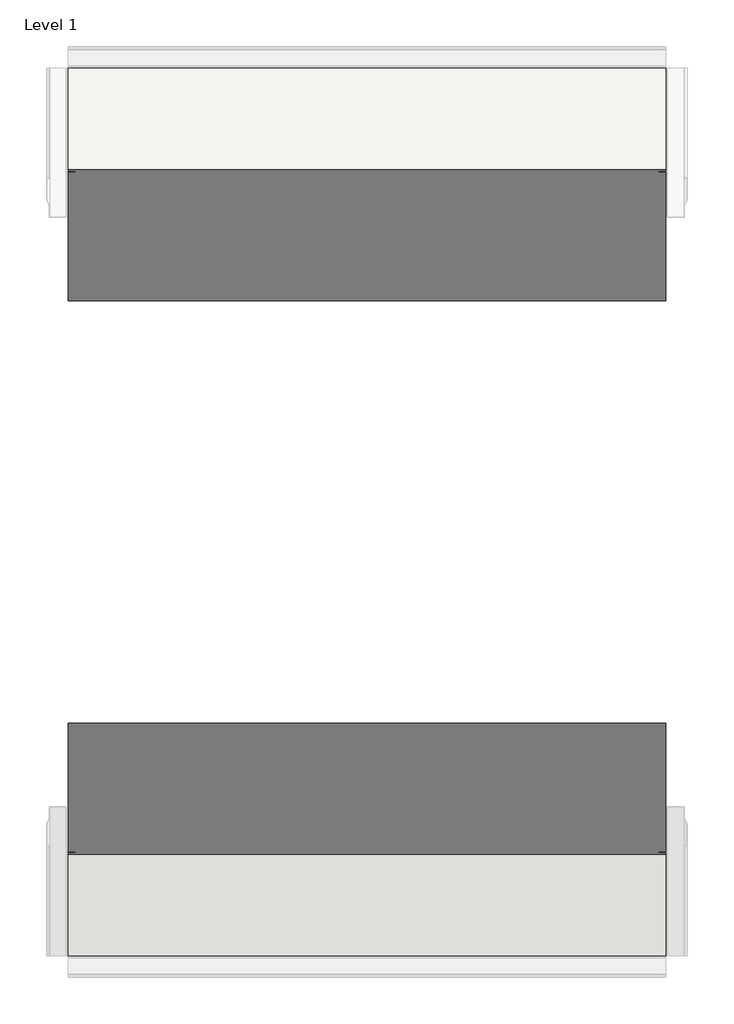
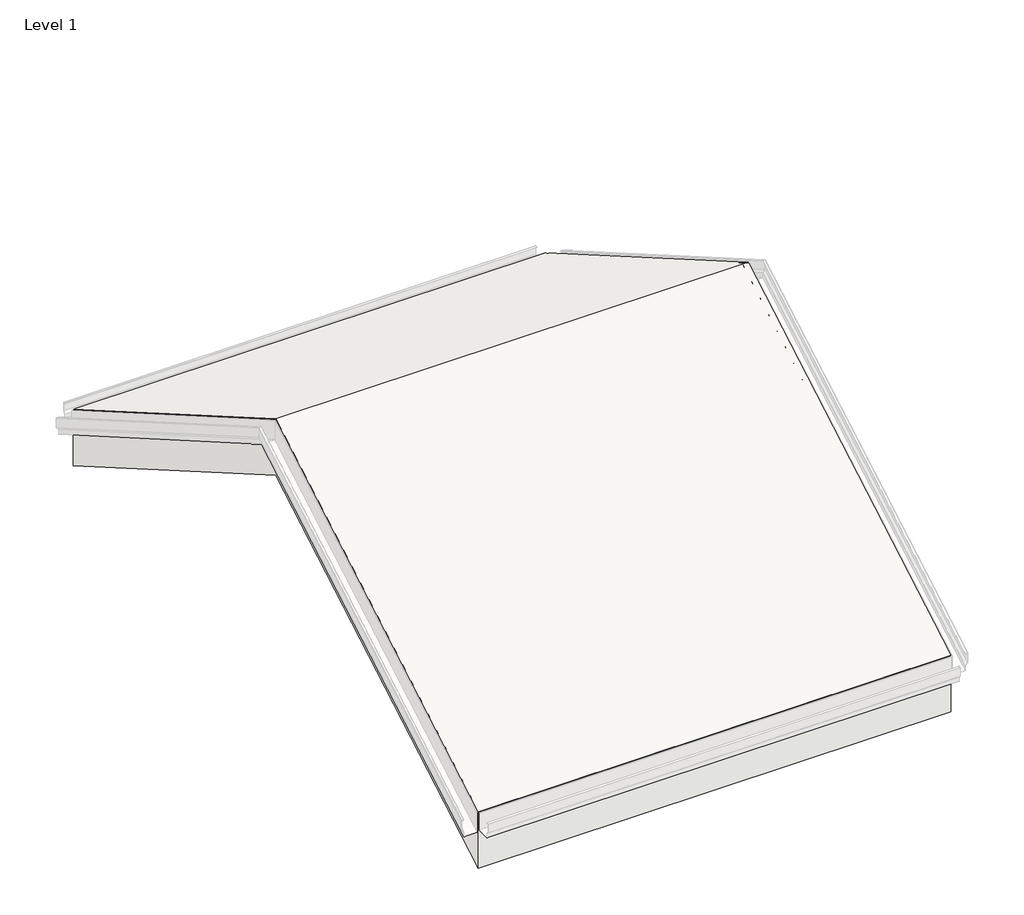
# One storey, part 8 of 16: 1 roof.
"""IFC4 building model written with IfcOpenShell, lengths in millimetres."""

from ifc_helpers import new_model, si_unit, frame, origin, place, context, project, spatial, polyline, outline, extrude, element, save

model = new_model("IFC4")

# Units and contexts
model_context = context("Model", 3, world=origin())
ifc_project = project(units=[si_unit("LENGTHUNIT", "METRE", prefix="MILLI")], contexts=[model_context])

# Site, building, storey
site = spatial("IfcSite", under=ifc_project)
building = spatial("IfcBuilding", under=site)
storey = spatial("IfcBuildingStorey", under=building, Name="Level 1", Elevation=0.0)

# Roof
placement = place(None, origin())
element("IfcRoof", 1, at=placement, inside=storey, context=model_context, shape_type="SweptSolid", body=[
    extrude(outline(polyline([(11282.5320962, 674.5760545), (15244.9320962, 2962.2687612), (19207.3320962, 674.5760545), (19207.3320962, 0.0), (15244.9320962, 2287.6927066), (11282.5320962, 0.0), (11282.5320962, 674.5760545)])), frame((-37585.4498439, 0.0, 0.0), z_axis=(1.0, 0.0, 0.0), x_axis=(0.0, 1.0, 0.0)), (0.0, 0.0, 1.0), 5334.0),
])

save(model, "model.ifc")
